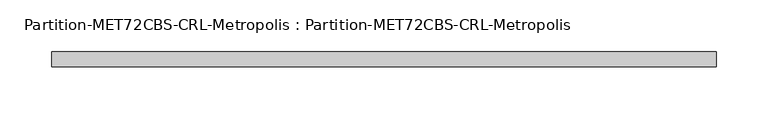
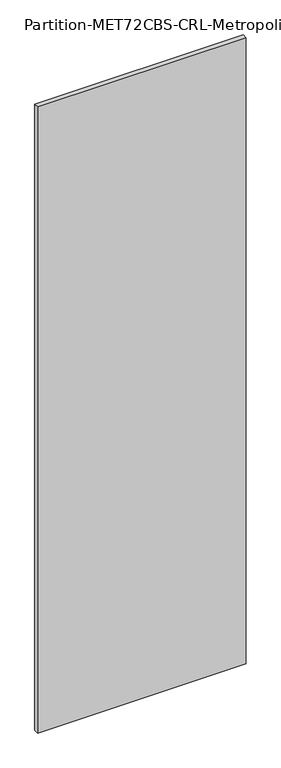
"""IFC4 building model written with IfcOpenShell, lengths in millimetres: plate geometry, Partition-MET72CBS-CRL-Metropolis : Partition-MET72CBS-CRL-Metropolis."""

from ifc_helpers import new_model, si_unit, frame, origin, place, context, project, spatial, polyline, outline, extrude, source, transform, mapped, element, save


def partition_met72cbs_crl_metropolis_partition_met72cbs_crl_02f4b435(model_context):
    return source(origin(), model_context, "Body", "SweptSolid", [
        extrude(outline(polyline([(320.675, 98.425), (-320.675, 98.425), (-320.675, 112.7125), (320.675, 112.7125), (320.675, 98.425)])), frame((0.0, 0.0, 98.425), z_axis=(0.0, 0.0, 1.0), x_axis=(1.0, 0.0, 0.0)), (0.0, 0.0, 1.0), 2035.175),
    ])


if __name__ == "__main__":
    model = new_model("IFC4")
    model_context = context("Model", 3, world=origin())
    ifc_project = project(units=[si_unit("LENGTHUNIT", "METRE", prefix="MILLI")], contexts=[model_context])
    site = spatial("IfcSite", under=ifc_project)
    building = spatial("IfcBuilding", under=site)
    placement = place(None, origin())
    partition_met72cbs_crl_metropolis_partition_met72cbs_crl_shape = partition_met72cbs_crl_metropolis_partition_met72cbs_crl_02f4b435(model_context)
    element("IfcPlate", 1, ObjectType="Partition-MET72CBS-CRL-Metropolis : Partition-MET72CBS-CRL-Metropolis", at=placement, inside=building, context=model_context, shape_type="MappedRepresentation", body=[
        mapped(partition_met72cbs_crl_metropolis_partition_met72cbs_crl_shape, transform((0.0, 0.0, 0.0), x_axis=(1.0, 0.0, 0.0), y_axis=(0.0, 1.0, 0.0), z_axis=(0.0, 0.0, 1.0))),
    ])
    save(model, "model.ifc")
